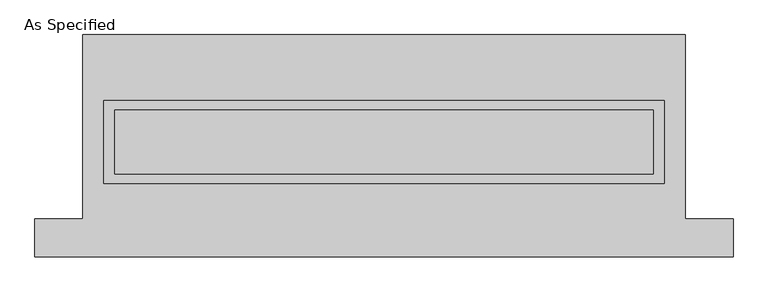
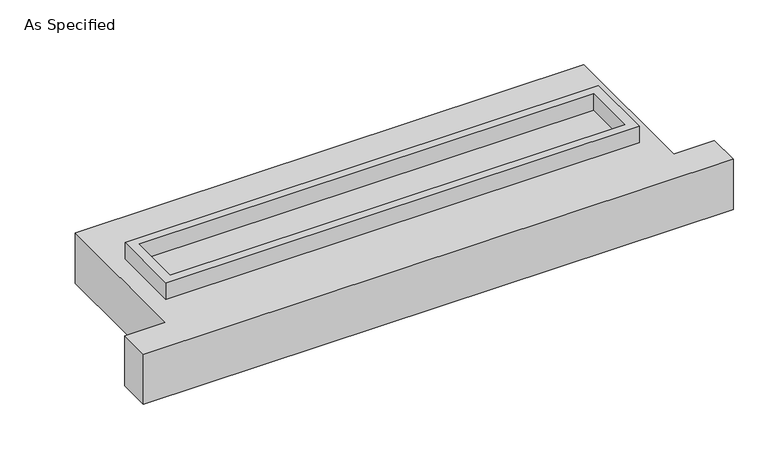
"""IFC4 building model written with IfcOpenShell, lengths in millimetres: proxy geometry, As Specified."""

from ifc_helpers import new_model, si_unit, frame, origin, place, context, project, spatial, polyline, outline, extrude, source, transform, mapped, element, save


def as_specified_cfeea1f1(model_context):
    return source(origin(), model_context, "Body", "SweptSolid", [
        extrude(outline(polyline([(2222.5, 361.95), (2222.5, -298.45), (-2222.5, -298.45), (-2222.5, 361.95), (2222.5, 361.95)]), holes=[polyline([(2133.6, 285.75), (-2133.6, 285.75), (-2133.6, -222.25), (2133.6, -222.25), (2133.6, 285.75)])]), frame((0.0, 0.0, -688.975), z_axis=(0.0, 0.0, 1.0), x_axis=(1.0, 0.0, 0.0)), (0.0, 0.0, 1.0), 165.1),
        extrude(outline(polyline([(2222.5, 361.95), (2222.5, -298.45), (-2222.5, -298.45), (-2222.5, 361.95), (2222.5, 361.95)]), holes=[polyline([(2133.6, 285.75), (-2133.6, 285.75), (-2133.6, -222.25), (2133.6, -222.25), (2133.6, 285.75)])]), frame((0.0, 0.0, -25.4), z_axis=(0.0, 0.0, 1.0), x_axis=(1.0, 0.0, 0.0)), (0.0, 0.0, 1.0), 165.1),
        extrude(outline(polyline([(2133.6, 285.75), (2133.6, -222.25), (-2133.6, -222.25), (-2133.6, 285.75), (2133.6, 285.75)])), frame((0.0, 0.0, -523.875), z_axis=(0.0, 0.0, 1.0), x_axis=(1.0, 0.0, 0.0)), (0.0, 0.0, 1.0), 4.9609375),
        extrude(outline(polyline([(2133.6, 285.75), (2133.6, -222.25), (-2133.6, -222.25), (-2133.6, 285.75), (2133.6, 285.75)])), frame((0.0, 0.0, -30.3609375), z_axis=(0.0, 0.0, 1.0), x_axis=(1.0, 0.0, 0.0)), (0.0, 0.0, 1.0), 4.9609375),
        extrude(outline(polyline([(-2387.6, 882.65), (2387.6, 882.65), (2387.6, -577.85), (2768.6, -577.85), (2768.6, -882.65), (-2768.6, -882.65), (-2768.6, -577.85), (-2387.6, -577.85), (-2387.6, 882.65)]), holes=[polyline([(-2222.5, 361.95), (-2222.5, -298.45), (2222.5, -298.45), (2222.5, 361.95), (-2222.5, 361.95)])]), frame((0.0, 0.0, -523.875), z_axis=(0.0, 0.0, 1.0), x_axis=(1.0, 0.0, 0.0)), (0.0, 0.0, 1.0), 498.475),
    ])


if __name__ == "__main__":
    model = new_model("IFC4")
    model_context = context("Model", 3, world=origin())
    ifc_project = project(units=[si_unit("LENGTHUNIT", "METRE", prefix="MILLI")], contexts=[model_context])
    site = spatial("IfcSite", under=ifc_project)
    building = spatial("IfcBuilding", under=site)
    placement = place(None, origin())
    as_specified_shape = as_specified_cfeea1f1(model_context)
    element("IfcBuildingElementProxy", 1, Name="As Specified", ObjectType="As Specified", at=placement, inside=building, context=model_context, shape_type="MappedRepresentation", body=[
        mapped(as_specified_shape, transform((0.0, 0.0, 0.0), x_axis=(1.0, 0.0, 0.0), y_axis=(0.0, 1.0, 0.0), z_axis=(0.0, 0.0, 1.0))),
    ])
    save(model, "model.ifc")
